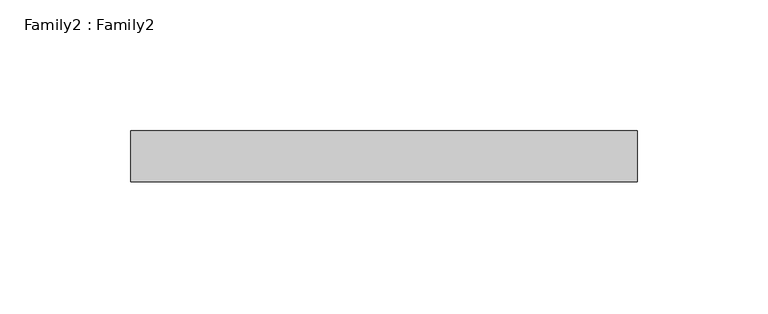
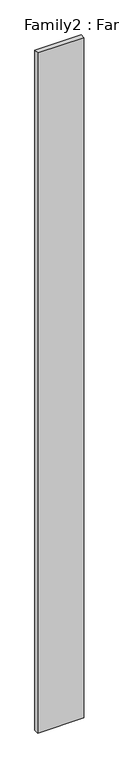
"""IFC4 building model written with IfcOpenShell, lengths in millimetres: plate geometry, Family2 : Family2."""

import ifcopenshell
import ifcopenshell.guid

model = None  # the IFC model being written
_history = None  # IfcOwnerHistory: only IFC2X3 demands one
_inside = {}  # id of a spatial element -> (the spatial element, [elements in it])
_under = {}  # id of a project, library or spatial element -> (it, [spatial elements below it])
_declared = {}  # id of a project -> (the project, [libraries it declares])
_typed = {}  # id of a type object -> (the type object, [elements of that type])
_made_of = {}  # id of a material, layer set ... -> (it, [elements and type objects made of it])


def new_model(schema):
    """Start an empty IFC model of exactly this schema.

    Asked for "IFC4X3", IfcOpenShell would pick the latest addendum, in which some entities
    have other attributes; the version numbers below select the first issue.
    IFC2X3 requires an IfcOwnerHistory on every rooted entity: one is made here for all.
    """
    global model, _history
    if schema == "IFC4X3":
        model = ifcopenshell.file(schema_version=(4, 3, 0, 0))
    else:
        model = ifcopenshell.file(schema=schema)
    _inside.clear()
    _under.clear()
    _declared.clear()
    _typed.clear()
    _made_of.clear()
    _history = None
    if model.schema == "IFC2X3":
        org = make("IfcOrganization", Name="unknown")
        user = make(
            "IfcPersonAndOrganization",
            ThePerson=make("IfcPerson", FamilyName="unknown"),
            TheOrganization=org,
        )
        app = make(
            "IfcApplication",
            ApplicationDeveloper=org,
            Version="unknown",
            ApplicationFullName="unknown",
            ApplicationIdentifier="unknown",
        )
        _history = make(
            "IfcOwnerHistory",
            OwningUser=user,
            OwningApplication=app,
            ChangeAction="ADDED",
            CreationDate=0,
        )
    return model


def make(cls, **values):
    """One entity of the class cls with the attributes given. An attribute that is None is left unset."""
    return model.create_entity(
        cls, **{name: value for name, value in values.items() if value is not None}
    )


def rooted(cls, **values):
    """An entity with a GlobalId (a new one), such as an element, a storey or a relation."""
    return make(cls, GlobalId=ifcopenshell.guid.new(), OwnerHistory=_history, **values)


def si_unit(unit_type, name, prefix=None):
    """IfcSIUnit, for example si_unit("LENGTHUNIT", "METRE", prefix="MILLI")."""
    return make("IfcSIUnit", UnitType=unit_type, Prefix=prefix, Name=name)


def assignment(units):
    """IfcUnitAssignment: the units of a project."""
    return None if units is None else make("IfcUnitAssignment", Units=units)


def point(xyz):
    """IfcCartesianPoint."""
    return None if xyz is None else make("IfcCartesianPoint", Coordinates=xyz)


def direction(xyz):
    """IfcDirection."""
    return None if xyz is None else make("IfcDirection", DirectionRatios=xyz)


def frame(location, z_axis=None, x_axis=None):
    """IfcAxis2Placement3D, a coordinate frame: its origin and axes. An axis left out is left unset."""
    return make(
        "IfcAxis2Placement3D",
        Location=point(location),
        Axis=direction(z_axis),
        RefDirection=direction(x_axis),
    )


def origin():
    """The frame at (0, 0, 0) with its axes left unset."""
    return frame((0.0, 0.0, 0.0))


def origin_with_axes():
    """The frame at (0, 0, 0) with the z axis (0, 0, 1) and the x axis (1, 0, 0) written out."""
    return frame((0.0, 0.0, 0.0), z_axis=(0.0, 0.0, 1.0), x_axis=(1.0, 0.0, 0.0))


def place(relative_to, where):
    """IfcLocalPlacement: puts the frame where relative to a parent placement (None: the world)."""
    return make(
        "IfcLocalPlacement", PlacementRelTo=relative_to, RelativePlacement=where
    )


def context(
    kind, dimensions, precision=None, world=None, true_north=None, identifier=None
):
    """IfcGeometricRepresentationContext, for example the 3D "Model" context."""
    return make(
        "IfcGeometricRepresentationContext",
        ContextIdentifier=identifier,
        ContextType=kind,
        CoordinateSpaceDimension=dimensions,
        Precision=precision,
        WorldCoordinateSystem=world,
        TrueNorth=true_north,
    )


def project(units=None, contexts=None):
    """IfcProject with its units and contexts."""
    return rooted(
        "IfcProject",
        Name="project",
        RepresentationContexts=contexts,
        UnitsInContext=assignment(units),
    )


def spatial(cls, under=None, at=None, **own):
    """A site, building, storey or space (cls), placed at a placement, below another one or the project."""
    s = rooted(cls, ObjectPlacement=at, **own)
    if under is not None:
        _under.setdefault(under.id(), (under, []))[1].append(s)
    return s


def polyline(points):
    """IfcPolyline through the points."""
    return make("IfcPolyline", Points=[point(p) for p in points])


def outline(outer, holes=None, kind="AREA"):
    """IfcArbitraryClosedProfileDef: a profile drawn as a closed curve; with holes, ...WithVoids."""
    if holes is None:
        return make("IfcArbitraryClosedProfileDef", ProfileType=kind, OuterCurve=outer)
    return make(
        "IfcArbitraryProfileDefWithVoids",
        ProfileType=kind,
        OuterCurve=outer,
        InnerCurves=holes,
    )


def extrude(swept, where, along, depth):
    """IfcExtrudedAreaSolid: the profile swept, set in the frame where, extruded along a direction by depth."""
    return make(
        "IfcExtrudedAreaSolid",
        SweptArea=swept,
        Position=where,
        ExtrudedDirection=direction(along),
        Depth=depth,
    )


def shape(context_of_items, identifier, shape_type, items):
    """IfcShapeRepresentation: the items that make up one representation, for example the "Body"."""
    return make(
        "IfcShapeRepresentation",
        ContextOfItems=context_of_items,
        RepresentationIdentifier=identifier,
        RepresentationType=shape_type,
        Items=items,
    )


def source(mapping_origin, context_of_items, identifier, shape_type, items):
    """IfcRepresentationMap: a shape defined once, which mapped items show again and again."""
    return make(
        "IfcRepresentationMap",
        MappingOrigin=mapping_origin,
        MappedRepresentation=shape(context_of_items, identifier, shape_type, items),
    )


def transform(
    local_origin,
    x_axis=None,
    y_axis=None,
    z_axis=None,
    scale=None,
    scale2=None,
    scale3=None,
    uniform=True,
):
    """IfcCartesianTransformationOperator3D, or its non-uniform kind. x_axis, y_axis, z_axis: its Axis1, 2, 3."""
    if uniform:
        return make(
            "IfcCartesianTransformationOperator3D",
            Axis1=direction(x_axis),
            Axis2=direction(y_axis),
            LocalOrigin=point(local_origin),
            Scale=scale,
            Axis3=direction(z_axis),
        )
    return make(
        "IfcCartesianTransformationOperator3DnonUniform",
        Axis1=direction(x_axis),
        Axis2=direction(y_axis),
        LocalOrigin=point(local_origin),
        Scale=scale,
        Axis3=direction(z_axis),
        Scale2=scale2,
        Scale3=scale3,
    )


def mapped(mapping_source, mapping_target):
    """IfcMappedItem: shows the shape of a source again, moved by a transform."""
    return make(
        "IfcMappedItem", MappingSource=mapping_source, MappingTarget=mapping_target
    )


def made_of(thing, what):
    """Note that an element or type object is made of a material, layer set ...; save() writes the relation."""
    if what is not None:
        _made_of.setdefault(what.id(), (what, []))[1].append(thing)
    return thing


def element(
    cls,
    number,
    at=None,
    inside=None,
    cuts=None,
    type_object=None,
    material=None,
    context=None,
    identifier="Body",
    shape_type=None,
    held_by="IfcProductDefinitionShape",
    body=None,
    shapes=None,
    **own,
):
    """One element of the class cls, such as IfcWall. Its Tag is "e" and its number.

    at: its placement. inside: the storey or other place that contains it. cuts: it is an
    opening in that element (IfcRelVoidsElement). A single representation is given by context,
    identifier, shape_type and body (its items); several are given by shapes. held_by: the class
    of the entity that holds the representations. save() writes the other relations.
    """
    e = rooted(cls, Tag="e%d" % number, ObjectPlacement=at, **own)
    if body is not None:
        shapes = [shape(context, identifier, shape_type, body)]
    if shapes is not None:
        e.Representation = make(held_by, Representations=shapes)
    if inside is not None:
        _inside.setdefault(inside.id(), (inside, []))[1].append(e)
    if cuts is not None:
        rooted(
            "IfcRelVoidsElement", RelatingBuildingElement=cuts, RelatedOpeningElement=e
        )
    if type_object is not None:
        _typed.setdefault(type_object.id(), (type_object, []))[1].append(e)
    return made_of(e, material)


def aggregate(whole, parts):
    """IfcRelAggregates: a whole, such as a stair, and the parts it consists of."""
    return rooted("IfcRelAggregates", RelatingObject=whole, RelatedObjects=parts)


def save(model, path):
    """Write the relations noted so far, then the file.

    IfcRelAggregates (storeys below a building ...), IfcRelContainedInSpatialStructure (elements
    in a storey), IfcRelDefinesByType, IfcRelAssociatesMaterial and IfcRelDeclares: one each for
    every whole, place, type object, material and project.
    """
    for whole, parts in _under.values():
        aggregate(whole, parts)
    for where, things in _inside.values():
        rooted(
            "IfcRelContainedInSpatialStructure",
            RelatedElements=things,
            RelatingStructure=where,
        )
    for kind, things in _typed.values():
        rooted("IfcRelDefinesByType", RelatedObjects=things, RelatingType=kind)
    for what, things in _made_of.values():
        rooted("IfcRelAssociatesMaterial", RelatedObjects=things, RelatingMaterial=what)
    for by, libraries in _declared.values():
        rooted("IfcRelDeclares", RelatingContext=by, RelatedDefinitions=libraries)
    model.write(path)


def family2_family2_01868289(model_context):
    return source(origin(), model_context, "Body", "SweptSolid", [
        extrude(outline(polyline([(-96.6216, -50.038), (-96.6216, -30.7340002), (96.6216, -30.7340002), (96.6216, -50.038), (-96.6216, -50.038)])), origin_with_axes(), (0.0, 0.0, 1.0), 3012.2368001),
    ])


if __name__ == "__main__":
    model = new_model("IFC4")
    model_context = context("Model", 3, world=origin())
    ifc_project = project(units=[si_unit("LENGTHUNIT", "METRE", prefix="MILLI")], contexts=[model_context])
    site = spatial("IfcSite", under=ifc_project)
    building = spatial("IfcBuilding", under=site)
    placement = place(None, origin())
    family2_family2_shape = family2_family2_01868289(model_context)
    element("IfcPlate", 1, ObjectType="Family2 : Family2", at=placement, inside=building, context=model_context, shape_type="MappedRepresentation", body=[
        mapped(family2_family2_shape, transform((0.0, 0.0, 0.0), x_axis=(1.0, 0.0, 0.0), y_axis=(0.0, 1.0, 0.0), z_axis=(0.0, 0.0, 1.0))),
    ])
    save(model, "model.ifc")
